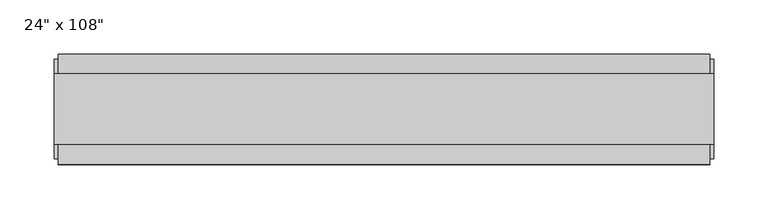
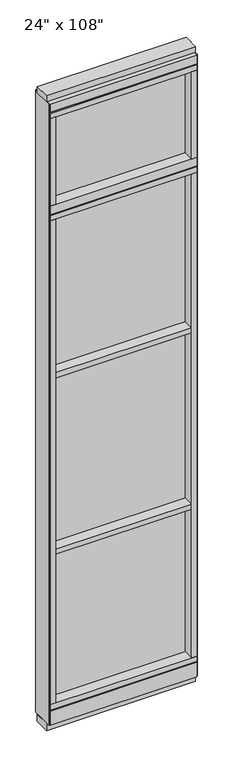
"""IFC4 building model written with IfcOpenShell, lengths in millimetres: furniture geometry."""

from ifc_helpers import new_model, si_unit, frame, origin, origin_with_axes, place, context, project, spatial, polyline, outline, extrude, source, transform, mapped, element, save


def furniture_38dbb411(model_context):
    return source(origin(), model_context, "Body", "SweptSolid", [
        extrude(outline(polyline([(218.6014771, -9.5977216), (-338.6745229, -9.5977216), (-338.6745229, 0.5622784), (218.6014771, 0.5622784), (218.6014771, -9.5977216)])), frame((0.0, 0.0, 2276.475), z_axis=(0.0, 0.0, 1.0), x_axis=(1.0, 0.0, 0.0)), (0.0, 0.0, 1.0), 355.6),
        extrude(outline(polyline([(-338.6745229, -52.3332216), (-338.6745229, 43.2977784), (218.6014771, 43.2977784), (218.6014771, -52.3332216), (-338.6745229, -52.3332216)])), frame((0.0, 0.0, 1524.0), z_axis=(0.0, 0.0, 1.0), x_axis=(1.0, 0.0, 0.0)), (0.0, 0.0, 1.0), 22.225),
        extrude(outline(polyline([(-338.6745229, -52.3332216), (-338.6745229, 43.2977784), (218.6014771, 43.2977784), (218.6014771, -52.3332216), (-338.6745229, -52.3332216)])), frame((0.0, 0.0, 762.0), z_axis=(0.0, 0.0, 1.0), x_axis=(1.0, 0.0, 0.0)), (0.0, 0.0, 1.0), 22.225),
        extrude(outline(polyline([(218.6014771, -9.5977216), (-338.6745229, -9.5977216), (-338.6745229, 0.5622784), (218.6014771, 0.5622784), (218.6014771, -9.5977216)])), frame((0.0, 0.0, 120.523), z_axis=(0.0, 0.0, 1.0), x_axis=(1.0, 0.0, 0.0)), (0.0, 0.0, 1.0), 2114.677),
        extrude(outline(polyline([(218.6014771, -55.3177216), (218.6014771, 46.2822784), (240.8264771, 46.2822784), (240.8264771, -55.3177216), (218.6014771, -55.3177216)])), frame((0.0, 0.0, 2276.475), z_axis=(0.0, 0.0, 1.0), x_axis=(1.0, 0.0, 0.0)), (0.0, 0.0, 1.0), 377.825),
        extrude(outline(polyline([(-55.3177216, 2240.153), (-55.3177216, 2276.475), (46.2822784, 2276.475), (46.2822784, 2240.153), (41.3292784, 2240.153), (41.3292784, 2235.2), (-50.3647216, 2235.2), (-50.3647216, 2240.153), (-55.3177216, 2240.153)])), frame((-360.8995229, 0.0, 0.0), z_axis=(1.0, 0.0, 0.0), x_axis=(0.0, 1.0, 0.0)), (0.0, 0.0, 1.0), 601.726),
        extrude(outline(polyline([(-338.6745229, -55.3177216), (-360.8995229, -55.3177216), (-360.8995229, 46.2822784), (-338.6745229, 46.2822784), (-338.6745229, -55.3177216)])), frame((0.0, 0.0, 2276.475), z_axis=(0.0, 0.0, 1.0), x_axis=(1.0, 0.0, 0.0)), (0.0, 0.0, 1.0), 377.825),
        extrude(outline(polyline([(-360.8995229, -55.3177216), (-360.8995229, 46.2822784), (240.8264771, 46.2822784), (240.8264771, -55.3177216), (-360.8995229, -55.3177216)])), frame((0.0, 0.0, 2212.975), z_axis=(0.0, 0.0, 1.0), x_axis=(1.0, 0.0, 0.0)), (0.0, 0.0, 1.0), 22.225),
        extrude(outline(polyline([(-55.3177216, 93.345), (-50.3647216, 93.345), (-50.3647216, 98.298), (41.3292784, 98.298), (41.3292784, 93.345), (46.2822784, 93.345), (46.2822784, 31.75), (-55.3177216, 31.75), (-55.3177216, 93.345)])), frame((-360.8995229, 0.0, 0.0), z_axis=(1.0, 0.0, 0.0), x_axis=(0.0, 1.0, 0.0)), (0.0, 0.0, 1.0), 601.726),
        extrude(outline(polyline([(-360.8995229, -55.3177216), (-360.8995229, 46.2822784), (240.8264771, 46.2822784), (240.8264771, -55.3177216), (-360.8995229, -55.3177216)])), frame((0.0, 0.0, 98.298), z_axis=(0.0, 0.0, 1.0), x_axis=(1.0, 0.0, 0.0)), (0.0, 0.0, 1.0), 22.225),
        extrude(outline(polyline([(244.7634771, 27.9942784), (244.7634771, -37.0297216), (-364.8365229, -37.0297216), (-364.8365229, 27.9942784), (244.7634771, 27.9942784)])), origin_with_axes(), (0.0, 0.0, 1.0), 31.75),
        extrude(outline(polyline([(-364.8365229, -37.0297216), (-364.8365229, 27.9942784), (244.7634771, 27.9942784), (244.7634771, -37.0297216), (-364.8365229, -37.0297216)])), frame((0.0, 0.0, 2717.8), z_axis=(0.0, 0.0, 1.0), x_axis=(1.0, 0.0, 0.0)), (0.0, 0.0, 1.0), 25.4),
        extrude(outline(polyline([(-55.3177216, 2681.478), (-55.3177216, 2717.8), (46.2822784, 2717.8), (46.2822784, 2681.478), (41.3292784, 2681.478), (41.3292784, 2676.525), (-50.3647216, 2676.525), (-50.3647216, 2681.478), (-55.3177216, 2681.478)])), frame((-360.8995229, 0.0, 0.0), z_axis=(1.0, 0.0, 0.0), x_axis=(0.0, 1.0, 0.0)), (0.0, 0.0, 1.0), 601.726),
        extrude(outline(polyline([(240.8264771, 46.2822784), (240.8264771, -55.3177216), (-360.8995229, -55.3177216), (-360.8995229, 46.2822784), (240.8264771, 46.2822784)])), frame((0.0, 0.0, 2654.3), z_axis=(0.0, 0.0, 1.0), x_axis=(1.0, 0.0, 0.0)), (0.0, 0.0, 1.0), 22.225),
        extrude(outline(polyline([(218.6014771, -55.3177216), (218.6014771, 46.2822784), (240.8264771, 46.2822784), (240.8264771, -55.3177216), (218.6014771, -55.3177216)])), frame((0.0, 0.0, 120.523), z_axis=(0.0, 0.0, 1.0), x_axis=(1.0, 0.0, 0.0)), (0.0, 0.0, 1.0), 2092.452),
        extrude(outline(polyline([(-338.6745229, -55.3177216), (-360.8995229, -55.3177216), (-360.8995229, 46.2822784), (-338.6745229, 46.2822784), (-338.6745229, -55.3177216)])), frame((0.0, 0.0, 120.523), z_axis=(0.0, 0.0, 1.0), x_axis=(1.0, 0.0, 0.0)), (0.0, 0.0, 1.0), 2092.452),
        extrude(outline(polyline([(244.7634771, -50.3647216), (240.8264771, -50.3647216), (240.8264771, 41.3292784), (244.7634771, 41.3292784), (244.7634771, -50.3647216)])), frame((0.0, 0.0, 31.75), z_axis=(0.0, 0.0, 1.0), x_axis=(1.0, 0.0, 0.0)), (0.0, 0.0, 1.0), 2686.05),
        extrude(outline(polyline([(-364.8365229, -50.3647216), (-364.8365229, 41.3292784), (-360.8995229, 41.3292784), (-360.8995229, -50.3647216), (-364.8365229, -50.3647216)])), frame((0.0, 0.0, 31.75), z_axis=(0.0, 0.0, 1.0), x_axis=(1.0, 0.0, 0.0)), (0.0, 0.0, 1.0), 2686.05),
    ])


if __name__ == "__main__":
    model = new_model("IFC4")
    model_context = context("Model", 3, world=origin())
    ifc_project = project(units=[si_unit("LENGTHUNIT", "METRE", prefix="MILLI")], contexts=[model_context])
    site = spatial("IfcSite", under=ifc_project)
    building = spatial("IfcBuilding", under=site)
    placement = place(None, origin())
    furniture_shape = furniture_38dbb411(model_context)
    element("IfcFurniture", 1, ObjectType="24\" x 108\"", at=placement, inside=building, context=model_context, shape_type="MappedRepresentation", body=[
        mapped(furniture_shape, transform((0.0, 0.0, 0.0), x_axis=(1.0, 0.0, 0.0), y_axis=(0.0, 1.0, 0.0), z_axis=(0.0, 0.0, 1.0))),
    ])
    save(model, "model.ifc")
